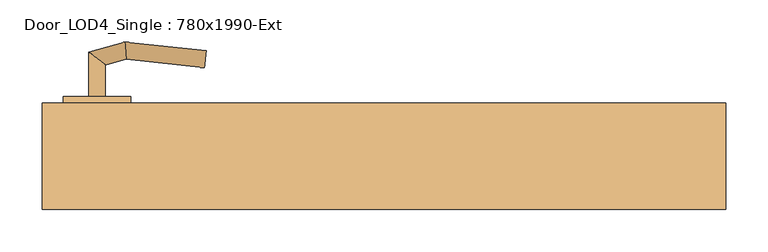
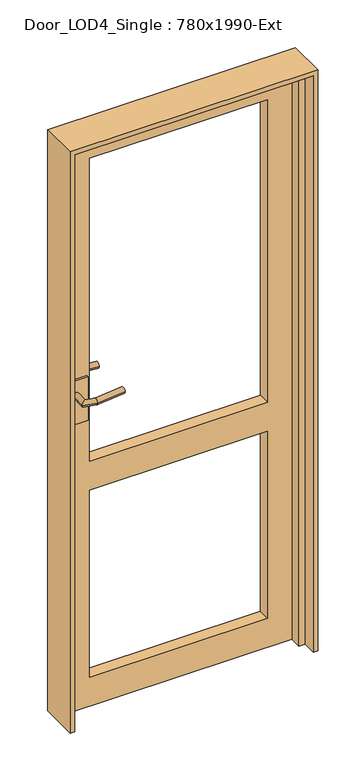
"""IFC4 building model written with IfcOpenShell, lengths in millimetres: door geometry, Door_LOD4_Single : 780x1990-Ext."""

from ifc_helpers import new_model, si_unit, frame, origin, place, context, project, spatial, polyline, circle_curve, ellipse_curve, outline, extrude, source, transform, mapped, element, save
from ifc_brep_helpers import plane_surface, cylinder_surface, advanced_brep


def door_lod4_single_780x1990_ext_e935bd0b(model_context):
    return source(origin(), model_context, "Body", "SolidModel", [
        extrude(outline(polyline([(1990.0000797, -390.0000156), (0.0, -390.0000156), (0.0, 390.0000156), (1990.0000797, 390.0000156), (1990.0000797, -390.0000156)]), holes=[polyline([(1890.0000797, 290.0000156), (846.0000319, 290.0000156), (846.0000319, -290.0000156), (1890.0000797, -290.0000156), (1890.0000797, 290.0000156)]), polyline([(746.0000319, 290.0000156), (100.0, 290.0000156), (100.0, -290.0000156), (746.0000319, -290.0000156), (746.0000319, 290.0000156)])]), frame((0.0, -34.9789327, 0.0), z_axis=(0.0, 1.0, 0.0), x_axis=(0.0, 0.0, 1.0)), (0.0, 0.0, 1.0), 40.0),
        advanced_brep(
        [(-350.0000156, -42.9789327, 1095.0000398), (-330.0000156, -42.9789327, 1095.0000398), (-330.0000156, -80.3056628, 1095.0000398), (-350.0000156, -95.6522026, 1095.0000398), (-305.3947997, -86.8986106, 1095.0000398), (-306.9904237, -107.176588, 1095.0000398), (-210.6930713, -97.0525848, 1095.0000398), (-212.7842011, -77.1622058, 1095.0000398)],
        [
            (0, 1, circle_curve(frame((-340.0000156, -42.9789327, 1095.0000398), z_axis=(0.0, 1.0, 0.0), x_axis=(1.0, 0.0, 0.0)), 10.0)),
            (1, 0, circle_curve(frame((-340.0000156, -42.9789327, 1095.0000398), z_axis=(0.0, 1.0, 0.0), x_axis=(1.0, 0.0, 0.0)), 10.0)),
            (1, 2),
            (2, 3, ellipse_curve(frame((-340.0000156, -87.9789327, 1095.0000398), z_axis=(-0.6087614290087403, 0.79335334029122, 0.0), x_axis=(0.7933533402912198, 0.6087614290087406, 0.0)), 12.6047241, 10.0)),
            (3, 0),
            (3, 2, ellipse_curve(frame((-340.0000156, -87.9789327, 1095.0000398), z_axis=(-0.6087614290087403, 0.79335334029122, 0.0), x_axis=(0.7933533402912198, 0.6087614290087406, 0.0)), 12.6047241, 10.0)),
            (2, 4),
            (4, 5, ellipse_curve(frame((-306.1926117, -97.0375993, 1095.0000398), z_axis=(-0.9969184391323764, 0.07844504903348702, 0.0), x_axis=(0.07844504903348593, 0.9969184391323765, 0.0)), 10.1703292, 10.0)),
            (5, 3),
            (5, 4, ellipse_curve(frame((-306.1926117, -97.0375993, 1095.0000398), z_axis=(-0.9969184391323764, 0.07844504903348702, 0.0), x_axis=(0.07844504903348593, 0.9969184391323765, 0.0)), 10.1703292, 10.0)),
            (6, 7, circle_curve(frame((-211.7386362, -87.1073953, 1095.0000398), z_axis=(0.9945189493358518, 0.10455648909519343, 0.0), x_axis=(-0.10455648909519343, 0.9945189493358518, 0.0)), 10.0)),
            (7, 6, circle_curve(frame((-211.7386362, -87.1073953, 1095.0000398), z_axis=(0.9945189493358518, 0.10455648909519343, 0.0), x_axis=(-0.10455648909519343, 0.9945189493358518, 0.0)), 10.0)),
            (4, 7),
            (6, 5),
        ],
        [
            plane_surface(frame((-340.0000156, -42.9789327, 1095.0000398), z_axis=(0.0, 1.0, 0.0), x_axis=(0.0, 0.0, 1.0))),
            cylinder_surface(frame((-340.0000156, -42.9789327, 1095.0000398), z_axis=(0.0, 1.0, 0.0), x_axis=(1.0, 0.0, 0.0)), 10.0),
            cylinder_surface(frame((-340.0000156, -87.9789327, 1095.0000398), z_axis=(-0.965925826289083, 0.2588190451024665, 0.0), x_axis=(0.2588190451024665, 0.965925826289083, 0.0)), 10.0),
            plane_surface(frame((-211.7386362, -87.1073953, 1095.0000398), z_axis=(0.9945189493358518, 0.10455648909519348, 0.0), x_axis=(0.0, 0.0, 1.0))),
            cylinder_surface(frame((-306.1926117, -97.0375993, 1095.0000398), z_axis=(-0.9945189493358518, -0.10455648909519343, 0.0), x_axis=(-0.10455648909519343, 0.9945189493358518, 0.0)), 10.0),
        ],
        [
            (0, [[1, 2]]),
            (1, [[3, 4, 5, -2]]),
            (1, [[-5, 6, -3, -1]]),
            (2, [[7, 8, 9, -4]]),
            (2, [[-9, 10, -7, -6]]),
            (3, [[11, 12]]),
            (4, [[13, -11, 14, -8]]),
            (4, [[-14, -12, -13, -10]]),
        ],
    ),
        extrude(outline(polyline([(-380.0000156, -42.9789327), (-380.0000156, -34.9789327), (-300.0000156, -34.9789327), (-300.0000156, -42.9789327), (-380.0000156, -42.9789327)])), frame((0.0, 0.0, 995.0000398), z_axis=(0.0, 0.0, 1.0), x_axis=(1.0, 0.0, 0.0)), (0.0, 0.0, 1.0), 150.0),
        advanced_brep(
        [(-350.0000156, 13.0210673, 1095.0000398), (-330.0000156, 13.0210673, 1095.0000398), (-350.0000156, 65.6943372, 1095.0000398), (-330.0000156, 50.3477974, 1095.0000398), (-306.9904237, 77.2187226, 1095.0000398), (-305.3947997, 56.9407451, 1095.0000398), (-210.6930713, 67.0947193, 1095.0000398), (-212.7842011, 47.2043404, 1095.0000398)],
        [
            (0, 1, circle_curve(frame((-340.0000156, 13.0210673, 1095.0000398), z_axis=(0.0, -1.0, 0.0), x_axis=(1.0, 0.0, 0.0)), 10.0)),
            (1, 0, circle_curve(frame((-340.0000156, 13.0210673, 1095.0000398), z_axis=(0.0, -1.0, 0.0), x_axis=(1.0, 0.0, 0.0)), 10.0)),
            (0, 2),
            (2, 3, ellipse_curve(frame((-340.0000156, 58.0210673, 1095.0000398), z_axis=(-0.6087614290087454, -0.793353340291216, 0.0), x_axis=(0.793353340291216, -0.6087614290087459, 0.0)), 12.6047241, 10.0)),
            (3, 1),
            (3, 2, ellipse_curve(frame((-340.0000156, 58.0210673, 1095.0000398), z_axis=(-0.6087614290087454, -0.793353340291216, 0.0), x_axis=(0.793353340291216, -0.6087614290087459, 0.0)), 12.6047241, 10.0)),
            (2, 4),
            (4, 5, ellipse_curve(frame((-306.1926117, 67.0797339, 1095.0000398), z_axis=(-0.9969184391323771, -0.07844504903348057, 0.0), x_axis=(0.07844504903348166, -0.9969184391323769, 0.0)), 10.1703292, 10.0)),
            (5, 3),
            (5, 4, ellipse_curve(frame((-306.1926117, 67.0797339, 1095.0000398), z_axis=(-0.9969184391323771, -0.07844504903348057, 0.0), x_axis=(0.07844504903348166, -0.9969184391323769, 0.0)), 10.1703292, 10.0)),
            (6, 7, circle_curve(frame((-211.7386362, 57.1495299, 1095.0000398), z_axis=(0.9945189493358512, -0.10455648909519989, 0.0), x_axis=(-0.10455648909519989, -0.9945189493358512, 0.0)), 10.0)),
            (7, 6, circle_curve(frame((-211.7386362, 57.1495299, 1095.0000398), z_axis=(0.9945189493358512, -0.10455648909519989, 0.0), x_axis=(-0.10455648909519989, -0.9945189493358512, 0.0)), 10.0)),
            (4, 6),
            (7, 5),
        ],
        [
            plane_surface(frame((-340.0000156, 13.0210673, 1095.0000398), z_axis=(0.0, -1.0, 0.0), x_axis=(0.0, 0.0, 1.0))),
            cylinder_surface(frame((-340.0000156, 13.0210673, 1095.0000398), z_axis=(0.0, -1.0, 0.0), x_axis=(1.0, 0.0, 0.0)), 10.0),
            cylinder_surface(frame((-340.0000156, 58.0210673, 1095.0000398), z_axis=(-0.9659258262890846, -0.25881904510246023, 0.0), x_axis=(0.25881904510246023, -0.9659258262890846, 0.0)), 10.0),
            plane_surface(frame((-211.7386362, 57.1495299, 1095.0000398), z_axis=(0.9945189493358512, -0.10455648909519995, 0.0), x_axis=(0.0, 0.0, 1.0))),
            cylinder_surface(frame((-306.1926117, 67.0797339, 1095.0000398), z_axis=(-0.9945189493358512, 0.10455648909519989, 0.0), x_axis=(-0.10455648909519989, -0.9945189493358512, 0.0)), 10.0),
        ],
        [
            (0, [[1, 2]]),
            (1, [[-1, 3, 4, 5]]),
            (1, [[-2, -5, 6, -3]]),
            (2, [[-4, 7, 8, 9]]),
            (2, [[-6, -9, 10, -7]]),
            (3, [[11, 12]]),
            (4, [[-8, 13, -12, 14]]),
            (4, [[-10, -14, -11, -13]]),
        ],
    ),
        extrude(outline(polyline([(-380.0000156, 13.0210673), (-300.0000156, 13.0210673), (-300.0000156, 5.0210673), (-380.0000156, 5.0210673), (-380.0000156, 13.0210673)])), frame((0.0, 0.0, 995.0000398), z_axis=(0.0, 0.0, 1.0), x_axis=(1.0, 0.0, 0.0)), (0.0, 0.0, 1.0), 150.0),
        extrude(outline(polyline([(1990.0000797, -390.0000156), (0.0, -390.0000156), (0.0, -370.0000156), (1970.0000797, -370.0000156), (1970.0000797, 370.0000156), (0.0, 370.0000156), (0.0, 390.0000156), (1990.0000797, 390.0000156), (1990.0000797, -390.0000156)])), frame((0.0, -74.9789327, 0.0), z_axis=(0.0, 1.0, 0.0), x_axis=(0.0, 0.0, 1.0)), (0.0, 0.0, 1.0), 40.0),
        extrude(outline(polyline([(2005.0000797, -405.0000156), (0.0, -405.0000156), (0.0, -390.0000156), (1990.0000797, -390.0000156), (1990.0000797, 390.0000156), (0.0, 390.0000156), (0.0, 405.0000156), (2005.0000797, 405.0000156), (2005.0000797, -405.0000156)])), frame((0.0, -121.2639958, 0.0), z_axis=(0.0, 1.0, 0.0), x_axis=(0.0, 0.0, 1.0)), (0.0, 0.0, 1.0), 126.2850631),
    ])


if __name__ == "__main__":
    model = new_model("IFC4")
    model_context = context("Model", 3, world=origin())
    ifc_project = project(units=[si_unit("LENGTHUNIT", "METRE", prefix="MILLI")], contexts=[model_context])
    site = spatial("IfcSite", under=ifc_project)
    building = spatial("IfcBuilding", under=site)
    placement = place(None, origin())
    door_lod4_single_780x1990_ext_shape = door_lod4_single_780x1990_ext_e935bd0b(model_context)
    element("IfcDoor", 1, ObjectType="Door_LOD4_Single : 780x1990-Ext", at=placement, inside=building, context=model_context, shape_type="MappedRepresentation", body=[
        mapped(door_lod4_single_780x1990_ext_shape, transform((0.0, 0.0, 0.0), x_axis=(1.0, 0.0, 0.0), y_axis=(0.0, 1.0, 0.0), z_axis=(0.0, 0.0, 1.0))),
    ])
    save(model, "model.ifc")
